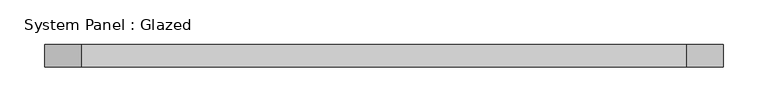
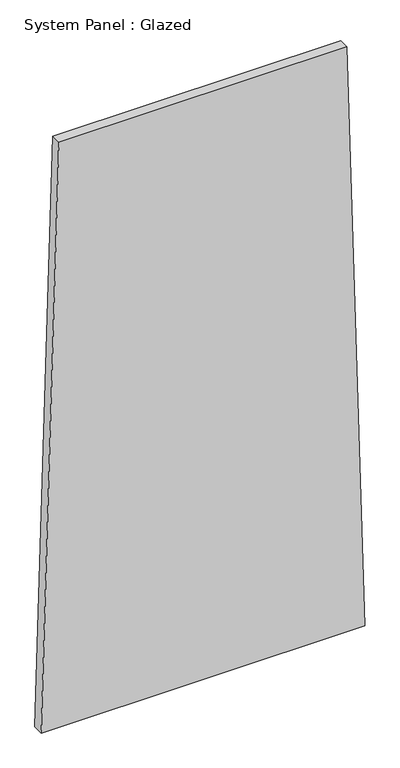
"""IFC4 building model written with IfcOpenShell, lengths in millimetres: plate geometry, System Panel : Glazed."""

import ifcopenshell
import ifcopenshell.guid

model = None  # the IFC model being written
_history = None  # IfcOwnerHistory: only IFC2X3 demands one
_inside = {}  # id of a spatial element -> (the spatial element, [elements in it])
_under = {}  # id of a project, library or spatial element -> (it, [spatial elements below it])
_declared = {}  # id of a project -> (the project, [libraries it declares])
_typed = {}  # id of a type object -> (the type object, [elements of that type])
_made_of = {}  # id of a material, layer set ... -> (it, [elements and type objects made of it])


def new_model(schema):
    """Start an empty IFC model of exactly this schema.

    Asked for "IFC4X3", IfcOpenShell would pick the latest addendum, in which some entities
    have other attributes; the version numbers below select the first issue.
    IFC2X3 requires an IfcOwnerHistory on every rooted entity: one is made here for all.
    """
    global model, _history
    if schema == "IFC4X3":
        model = ifcopenshell.file(schema_version=(4, 3, 0, 0))
    else:
        model = ifcopenshell.file(schema=schema)
    _inside.clear()
    _under.clear()
    _declared.clear()
    _typed.clear()
    _made_of.clear()
    _history = None
    if model.schema == "IFC2X3":
        org = make("IfcOrganization", Name="unknown")
        user = make(
            "IfcPersonAndOrganization",
            ThePerson=make("IfcPerson", FamilyName="unknown"),
            TheOrganization=org,
        )
        app = make(
            "IfcApplication",
            ApplicationDeveloper=org,
            Version="unknown",
            ApplicationFullName="unknown",
            ApplicationIdentifier="unknown",
        )
        _history = make(
            "IfcOwnerHistory",
            OwningUser=user,
            OwningApplication=app,
            ChangeAction="ADDED",
            CreationDate=0,
        )
    return model


def make(cls, **values):
    """One entity of the class cls with the attributes given. An attribute that is None is left unset."""
    return model.create_entity(
        cls, **{name: value for name, value in values.items() if value is not None}
    )


def rooted(cls, **values):
    """An entity with a GlobalId (a new one), such as an element, a storey or a relation."""
    return make(cls, GlobalId=ifcopenshell.guid.new(), OwnerHistory=_history, **values)


def si_unit(unit_type, name, prefix=None):
    """IfcSIUnit, for example si_unit("LENGTHUNIT", "METRE", prefix="MILLI")."""
    return make("IfcSIUnit", UnitType=unit_type, Prefix=prefix, Name=name)


def assignment(units):
    """IfcUnitAssignment: the units of a project."""
    return None if units is None else make("IfcUnitAssignment", Units=units)


def point(xyz):
    """IfcCartesianPoint."""
    return None if xyz is None else make("IfcCartesianPoint", Coordinates=xyz)


def direction(xyz):
    """IfcDirection."""
    return None if xyz is None else make("IfcDirection", DirectionRatios=xyz)


def frame(location, z_axis=None, x_axis=None):
    """IfcAxis2Placement3D, a coordinate frame: its origin and axes. An axis left out is left unset."""
    return make(
        "IfcAxis2Placement3D",
        Location=point(location),
        Axis=direction(z_axis),
        RefDirection=direction(x_axis),
    )


def origin():
    """The frame at (0, 0, 0) with its axes left unset."""
    return frame((0.0, 0.0, 0.0))


def place(relative_to, where):
    """IfcLocalPlacement: puts the frame where relative to a parent placement (None: the world)."""
    return make(
        "IfcLocalPlacement", PlacementRelTo=relative_to, RelativePlacement=where
    )


def context(
    kind, dimensions, precision=None, world=None, true_north=None, identifier=None
):
    """IfcGeometricRepresentationContext, for example the 3D "Model" context."""
    return make(
        "IfcGeometricRepresentationContext",
        ContextIdentifier=identifier,
        ContextType=kind,
        CoordinateSpaceDimension=dimensions,
        Precision=precision,
        WorldCoordinateSystem=world,
        TrueNorth=true_north,
    )


def project(units=None, contexts=None):
    """IfcProject with its units and contexts."""
    return rooted(
        "IfcProject",
        Name="project",
        RepresentationContexts=contexts,
        UnitsInContext=assignment(units),
    )


def spatial(cls, under=None, at=None, **own):
    """A site, building, storey or space (cls), placed at a placement, below another one or the project."""
    s = rooted(cls, ObjectPlacement=at, **own)
    if under is not None:
        _under.setdefault(under.id(), (under, []))[1].append(s)
    return s


def polyline(points):
    """IfcPolyline through the points."""
    return make("IfcPolyline", Points=[point(p) for p in points])


def outline(outer, holes=None, kind="AREA"):
    """IfcArbitraryClosedProfileDef: a profile drawn as a closed curve; with holes, ...WithVoids."""
    if holes is None:
        return make("IfcArbitraryClosedProfileDef", ProfileType=kind, OuterCurve=outer)
    return make(
        "IfcArbitraryProfileDefWithVoids",
        ProfileType=kind,
        OuterCurve=outer,
        InnerCurves=holes,
    )


def extrude(swept, where, along, depth):
    """IfcExtrudedAreaSolid: the profile swept, set in the frame where, extruded along a direction by depth."""
    return make(
        "IfcExtrudedAreaSolid",
        SweptArea=swept,
        Position=where,
        ExtrudedDirection=direction(along),
        Depth=depth,
    )


def shape(context_of_items, identifier, shape_type, items):
    """IfcShapeRepresentation: the items that make up one representation, for example the "Body"."""
    return make(
        "IfcShapeRepresentation",
        ContextOfItems=context_of_items,
        RepresentationIdentifier=identifier,
        RepresentationType=shape_type,
        Items=items,
    )


def source(mapping_origin, context_of_items, identifier, shape_type, items):
    """IfcRepresentationMap: a shape defined once, which mapped items show again and again."""
    return make(
        "IfcRepresentationMap",
        MappingOrigin=mapping_origin,
        MappedRepresentation=shape(context_of_items, identifier, shape_type, items),
    )


def transform(
    local_origin,
    x_axis=None,
    y_axis=None,
    z_axis=None,
    scale=None,
    scale2=None,
    scale3=None,
    uniform=True,
):
    """IfcCartesianTransformationOperator3D, or its non-uniform kind. x_axis, y_axis, z_axis: its Axis1, 2, 3."""
    if uniform:
        return make(
            "IfcCartesianTransformationOperator3D",
            Axis1=direction(x_axis),
            Axis2=direction(y_axis),
            LocalOrigin=point(local_origin),
            Scale=scale,
            Axis3=direction(z_axis),
        )
    return make(
        "IfcCartesianTransformationOperator3DnonUniform",
        Axis1=direction(x_axis),
        Axis2=direction(y_axis),
        LocalOrigin=point(local_origin),
        Scale=scale,
        Axis3=direction(z_axis),
        Scale2=scale2,
        Scale3=scale3,
    )


def mapped(mapping_source, mapping_target):
    """IfcMappedItem: shows the shape of a source again, moved by a transform."""
    return make(
        "IfcMappedItem", MappingSource=mapping_source, MappingTarget=mapping_target
    )


def made_of(thing, what):
    """Note that an element or type object is made of a material, layer set ...; save() writes the relation."""
    if what is not None:
        _made_of.setdefault(what.id(), (what, []))[1].append(thing)
    return thing


def element(
    cls,
    number,
    at=None,
    inside=None,
    cuts=None,
    type_object=None,
    material=None,
    context=None,
    identifier="Body",
    shape_type=None,
    held_by="IfcProductDefinitionShape",
    body=None,
    shapes=None,
    **own,
):
    """One element of the class cls, such as IfcWall. Its Tag is "e" and its number.

    at: its placement. inside: the storey or other place that contains it. cuts: it is an
    opening in that element (IfcRelVoidsElement). A single representation is given by context,
    identifier, shape_type and body (its items); several are given by shapes. held_by: the class
    of the entity that holds the representations. save() writes the other relations.
    """
    e = rooted(cls, Tag="e%d" % number, ObjectPlacement=at, **own)
    if body is not None:
        shapes = [shape(context, identifier, shape_type, body)]
    if shapes is not None:
        e.Representation = make(held_by, Representations=shapes)
    if inside is not None:
        _inside.setdefault(inside.id(), (inside, []))[1].append(e)
    if cuts is not None:
        rooted(
            "IfcRelVoidsElement", RelatingBuildingElement=cuts, RelatedOpeningElement=e
        )
    if type_object is not None:
        _typed.setdefault(type_object.id(), (type_object, []))[1].append(e)
    return made_of(e, material)


def aggregate(whole, parts):
    """IfcRelAggregates: a whole, such as a stair, and the parts it consists of."""
    return rooted("IfcRelAggregates", RelatingObject=whole, RelatedObjects=parts)


def save(model, path):
    """Write the relations noted so far, then the file.

    IfcRelAggregates (storeys below a building ...), IfcRelContainedInSpatialStructure (elements
    in a storey), IfcRelDefinesByType, IfcRelAssociatesMaterial and IfcRelDeclares: one each for
    every whole, place, type object, material and project.
    """
    for whole, parts in _under.values():
        aggregate(whole, parts)
    for where, things in _inside.values():
        rooted(
            "IfcRelContainedInSpatialStructure",
            RelatedElements=things,
            RelatingStructure=where,
        )
    for kind, things in _typed.values():
        rooted("IfcRelDefinesByType", RelatedObjects=things, RelatingType=kind)
    for what, things in _made_of.values():
        rooted("IfcRelAssociatesMaterial", RelatedObjects=things, RelatingMaterial=what)
    for by, libraries in _declared.values():
        rooted("IfcRelDeclares", RelatingContext=by, RelatedDefinitions=libraries)
    model.write(path)


def system_panel_glazed_1e2d56f8(model_context):
    return source(origin(), model_context, "Body", "SweptSolid", [
        extrude(outline(polyline([(0.0, -379.2464843), (0.0, 379.2464843), (1449.3823137, 337.6296896), (1449.3823027, -337.6299884), (0.0, -379.2464843)])), frame((0.0, -49.5, 0.0), z_axis=(0.0, 1.0, 0.0), x_axis=(0.0, 0.0, 1.0)), (0.0, 0.0, 1.0), 25.0),
    ])


if __name__ == "__main__":
    model = new_model("IFC4")
    model_context = context("Model", 3, world=origin())
    ifc_project = project(units=[si_unit("LENGTHUNIT", "METRE", prefix="MILLI")], contexts=[model_context])
    site = spatial("IfcSite", under=ifc_project)
    building = spatial("IfcBuilding", under=site)
    placement = place(None, origin())
    system_panel_glazed_shape = system_panel_glazed_1e2d56f8(model_context)
    element("IfcPlate", 1, ObjectType="System Panel : Glazed", at=placement, inside=building, context=model_context, shape_type="MappedRepresentation", body=[
        mapped(system_panel_glazed_shape, transform((0.0, 0.0, 0.0), x_axis=(1.0, 0.0, 0.0), y_axis=(0.0, 1.0, 0.0), z_axis=(0.0, 0.0, 1.0))),
    ])
    save(model, "model.ifc")
